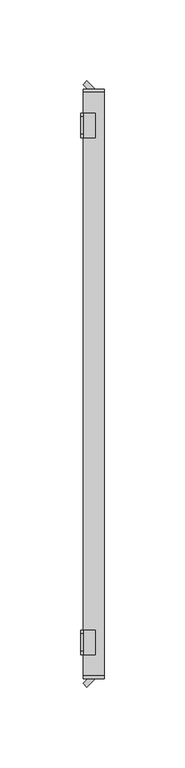
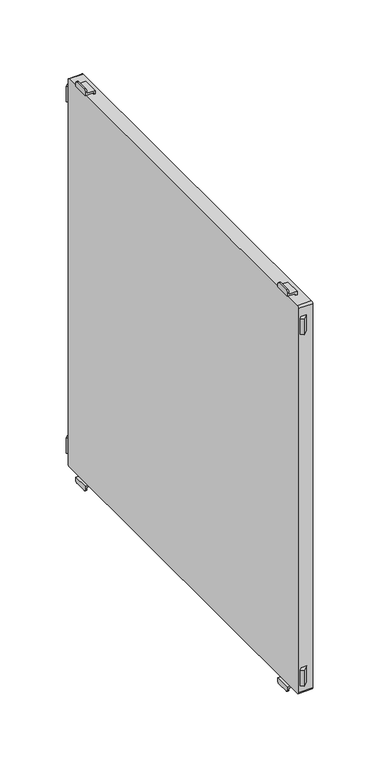
"""IFC4 building model written with IfcOpenShell, lengths in millimetres: furniture geometry."""

from ifc_helpers import new_model, si_unit, point, frame, frame_2d, origin, place, context, project, spatial, polyline, circle_curve, trimmed, segment, composite_curve, outline, extrude, source, transform, mapped, element, save
from ifc_brep_helpers import plane_surface, cylinder_surface, advanced_brep


def furniture_8a765ed5(model_context):
    return source(origin(), model_context, "Body", "SolidModel", [
        advanced_brep(
        [(-197.0, -152.5, 115.5), (-197.0, -152.5, 117.0), (-197.0, -167.5, 117.0), (-197.0, -167.5, 115.5), (-197.0, -165.5, 113.5), (-197.0, -154.5, 113.5), (-198.5, -152.5, 118.5), (-198.5, -152.5, 115.5), (-198.5, -154.5, 113.5), (-198.5, -165.5, 113.5), (-198.5, -167.5, 115.5), (-198.5, -167.5, 118.5), (-191.0011497, -152.5, 118.5), (-191.0011497, -152.5, 120.0), (-189.5011497, -152.5, 120.0), (-189.5011497, -152.5, 117.0), (-189.5011497, -167.5, 117.0), (-189.5011497, -167.5, 120.0), (-191.0011497, -167.5, 120.0), (-191.0011497, -167.5, 118.5)],
        [
            (0, 1),
            (1, 2),
            (2, 3),
            (3, 4, circle_curve(frame((-197.0, -165.5, 115.5), z_axis=(1.0, 0.0, 0.0), x_axis=(0.0, -1.0, 0.0)), 2.0)),
            (4, 5),
            (5, 0, circle_curve(frame((-197.0, -154.5, 115.5), z_axis=(1.0, 0.0, 0.0), x_axis=(0.0, -1.0, 0.0)), 2.0)),
            (6, 7),
            (7, 8, circle_curve(frame((-198.5, -154.5, 115.5), z_axis=(-1.0, 0.0, 0.0), x_axis=(0.0, -1.0, 0.0)), 2.0)),
            (8, 9),
            (9, 10, circle_curve(frame((-198.5, -165.5, 115.5), z_axis=(-1.0, 0.0, 0.0), x_axis=(0.0, -1.0, 0.0)), 2.0)),
            (10, 11),
            (11, 6),
            (6, 12),
            (12, 13),
            (13, 14),
            (14, 15),
            (15, 1),
            (0, 7),
            (5, 8),
            (4, 9),
            (3, 10),
            (2, 16),
            (16, 17),
            (17, 18),
            (18, 19),
            (19, 11),
            (19, 12),
            (14, 17),
            (16, 15),
            (13, 18),
        ],
        [
            plane_surface(frame((-197.0, -152.5, 117.0), z_axis=(1.0, 0.0, 0.0), x_axis=(0.0, 0.0, -1.0))),
            plane_surface(frame((-198.5, -152.5, 117.0), z_axis=(-1.0, 0.0, 0.0), x_axis=(0.0, 0.0, 1.0))),
            plane_surface(frame((-197.0, -152.5, 118.5), z_axis=(0.0, 1.0, 0.0), x_axis=(-1.0, 0.0, 0.0))),
            cylinder_surface(frame((-198.5, -154.5, 115.5), z_axis=(1.0, 0.0, 0.0), x_axis=(0.0, -1.0, 0.0)), 2.0),
            plane_surface(frame((-197.0, -154.5, 113.5), z_axis=(0.0, 0.0, -1.0), x_axis=(-1.0, 0.0, 0.0))),
            cylinder_surface(frame((-198.5, -165.5, 115.5), z_axis=(1.0, 0.0, 0.0), x_axis=(0.0, -1.0, 0.0)), 2.0),
            plane_surface(frame((-197.0, -167.5, 115.5), z_axis=(0.0, -1.0, 0.0), x_axis=(-1.0, 0.0, 0.0))),
            plane_surface(frame((-197.0, -167.5, 118.5), z_axis=(0.0, 0.0, 1.0), x_axis=(-1.0, 0.0, 0.0))),
            plane_surface(frame((-189.5011497, -152.5, 117.0), z_axis=(1.0, 0.0, 0.0), x_axis=(0.0, -1.0, 0.0))),
            plane_surface(frame((-189.5011497, -152.5, 120.0), z_axis=(0.0, 0.0, 1.0), x_axis=(0.0, -1.0, 0.0))),
            plane_surface(frame((-191.0011497, -152.5, 120.0), z_axis=(-1.0, 0.0, 0.0), x_axis=(0.0, -1.0, 0.0))),
            plane_surface(frame((-197.0, -152.5, 117.0), z_axis=(0.0, 0.0, -1.0), x_axis=(0.0, -1.0, 0.0))),
        ],
        [
            (0, [[1, 2, 3, 4, 5, 6]]),
            (1, [[7, 8, 9, 10, 11, 12]]),
            (2, [[13, 14, 15, 16, 17, -1, 18, -7]]),
            (3, [[19, -8, -18, -6]]),
            (4, [[20, -9, -19, -5]]),
            (5, [[21, -10, -20, -4]]),
            (6, [[-21, -3, 22, 23, 24, 25, 26, -11]]),
            (7, [[27, -13, -12, -26]]),
            (8, [[28, -23, 29, -16]]),
            (9, [[30, -24, -28, -15]]),
            (10, [[-27, -25, -30, -14]]),
            (11, [[-29, -22, -2, -17]]),
        ],
    ),
        advanced_brep(
        [(-197.0, 167.5, 115.5), (-197.0, 167.5, 117.0), (-197.0, 152.5, 117.0), (-197.0, 152.5, 115.5), (-197.0, 154.5, 113.5), (-197.0, 165.5, 113.5), (-198.5, 152.5, 118.5), (-198.5, 167.5, 118.5), (-198.5, 167.5, 115.5), (-198.5, 165.5, 113.5), (-198.5, 154.5, 113.5), (-198.5, 152.5, 115.5), (-191.0011497, 152.5, 118.5), (-191.0011497, 167.5, 118.5), (-191.0011497, 167.5, 120.0), (-189.5011497, 167.5, 120.0), (-189.5011497, 167.5, 117.0), (-189.5011497, 152.5, 117.0), (-189.5011497, 152.5, 120.0), (-191.0011497, 152.5, 120.0)],
        [
            (0, 1),
            (1, 2),
            (2, 3),
            (3, 4, circle_curve(frame((-197.0, 154.5, 115.5), z_axis=(1.0, 0.0, 0.0), x_axis=(0.0, -1.0, 0.0)), 2.0)),
            (4, 5),
            (5, 0, circle_curve(frame((-197.0, 165.5, 115.5), z_axis=(1.0, 0.0, 0.0), x_axis=(0.0, -1.0, 0.0)), 2.0)),
            (6, 7),
            (7, 8),
            (8, 9, circle_curve(frame((-198.5, 165.5, 115.5), z_axis=(-1.0, 0.0, 0.0), x_axis=(0.0, -1.0, 0.0)), 2.0)),
            (9, 10),
            (10, 11, circle_curve(frame((-198.5, 154.5, 115.5), z_axis=(-1.0, 0.0, 0.0), x_axis=(0.0, -1.0, 0.0)), 2.0)),
            (11, 6),
            (6, 12),
            (12, 13),
            (13, 7),
            (13, 14),
            (14, 15),
            (15, 16),
            (16, 1),
            (0, 8),
            (5, 9),
            (4, 10),
            (3, 11),
            (2, 17),
            (17, 18),
            (18, 19),
            (19, 12),
            (17, 16),
            (15, 18),
            (14, 19),
        ],
        [
            plane_surface(frame((-197.0, -152.5, 117.0), z_axis=(1.0, 0.0, 0.0), x_axis=(0.0, 0.0, -1.0))),
            plane_surface(frame((-198.5, -152.5, 117.0), z_axis=(-1.0, 0.0, 0.0), x_axis=(0.0, 0.0, 1.0))),
            plane_surface(frame((-197.0, 152.5, 118.5), z_axis=(0.0, 0.0, 1.0), x_axis=(-1.0, 0.0, 0.0))),
            plane_surface(frame((-197.0, 167.5, 118.5), z_axis=(0.0, 1.0, 0.0), x_axis=(-1.0, 0.0, 0.0))),
            cylinder_surface(frame((-200.0, 165.5, 115.5), z_axis=(1.0, 0.0, 0.0), x_axis=(0.0, -1.0, 0.0)), 2.0),
            plane_surface(frame((-197.0, 165.5, 113.5), z_axis=(0.0, 0.0, -1.0), x_axis=(-1.0, 0.0, 0.0))),
            cylinder_surface(frame((-200.0, 154.5, 115.5), z_axis=(1.0, 0.0, 0.0), x_axis=(0.0, -1.0, 0.0)), 2.0),
            plane_surface(frame((-197.0, 152.5, 115.5), z_axis=(0.0, -1.0, 0.0), x_axis=(-1.0, 0.0, 0.0))),
            plane_surface(frame((-189.5011497, 152.5, 120.0), z_axis=(1.0, 0.0, 0.0), x_axis=(0.0, 1.0, 0.0))),
            plane_surface(frame((-191.0011497, 152.5, 120.0), z_axis=(0.0, 0.0, 1.0), x_axis=(0.0, 1.0, 0.0))),
            plane_surface(frame((-191.0011497, 152.5, 118.5), z_axis=(-1.0, 0.0, 0.0), x_axis=(0.0, 1.0, 0.0))),
            plane_surface(frame((-189.5011497, 152.5, 117.0), z_axis=(0.0, 0.0, -1.0), x_axis=(0.0, 1.0, 0.0))),
        ],
        [
            (0, [[1, 2, 3, 4, 5, 6]]),
            (1, [[7, 8, 9, 10, 11, 12]]),
            (2, [[13, 14, 15, -7]]),
            (3, [[-15, 16, 17, 18, 19, -1, 20, -8]]),
            (4, [[21, -9, -20, -6]]),
            (5, [[22, -10, -21, -5]]),
            (6, [[23, -11, -22, -4]]),
            (7, [[-23, -3, 24, 25, 26, 27, -13, -12]]),
            (8, [[28, -18, 29, -25]]),
            (9, [[-29, -17, 30, -26]]),
            (10, [[-30, -16, -14, -27]]),
            (11, [[-2, -19, -28, -24]]),
        ],
    ),
        advanced_brep(
        [(-197.0, -167.5, 499.5), (-197.0, -167.5, 498.0), (-197.0, -152.5, 498.0), (-197.0, -152.5, 499.5), (-197.0, -154.5, 501.5), (-197.0, -165.5, 501.5), (-198.5, -152.5, 496.5), (-198.5, -167.5, 496.5), (-198.5, -167.5, 499.5), (-198.5, -165.5, 501.5), (-198.5, -154.5, 501.5), (-198.5, -152.5, 499.5), (-189.5011497, -152.5, 498.0), (-189.5011497, -152.5, 495.0), (-191.0011497, -152.5, 495.0), (-191.0011497, -152.5, 496.5), (-189.5011497, -167.5, 498.0), (-191.0011497, -167.5, 496.5), (-191.0011497, -167.5, 495.0), (-189.5011497, -167.5, 495.0)],
        [
            (0, 1),
            (1, 2),
            (2, 3),
            (3, 4, circle_curve(frame((-197.0, -154.5, 499.5), z_axis=(1.0, 0.0, 0.0), x_axis=(0.0, -1.0, 0.0)), 2.0)),
            (4, 5),
            (5, 0, circle_curve(frame((-197.0, -165.5, 499.5), z_axis=(1.0, 0.0, 0.0), x_axis=(0.0, -1.0, 0.0)), 2.0)),
            (6, 7),
            (7, 8),
            (8, 9, circle_curve(frame((-198.5, -165.5, 499.5), z_axis=(-1.0, 0.0, 0.0), x_axis=(0.0, -1.0, 0.0)), 2.0)),
            (9, 10),
            (10, 11, circle_curve(frame((-198.5, -154.5, 499.5), z_axis=(-1.0, 0.0, 0.0), x_axis=(0.0, -1.0, 0.0)), 2.0)),
            (11, 6),
            (12, 13),
            (13, 14),
            (14, 15),
            (15, 6),
            (11, 3),
            (2, 12),
            (16, 1),
            (0, 8),
            (7, 17),
            (17, 18),
            (18, 19),
            (19, 16),
            (15, 17),
            (5, 9),
            (4, 10),
            (16, 12),
            (14, 18),
            (13, 19),
        ],
        [
            plane_surface(frame((-197.0, -152.5, 117.0), z_axis=(1.0, 0.0, 0.0), x_axis=(0.0, 0.0, -1.0))),
            plane_surface(frame((-198.5, -152.5, 117.0), z_axis=(-1.0, 0.0, 0.0), x_axis=(0.0, 0.0, 1.0))),
            plane_surface(frame((-197.0, -152.5, 118.5), z_axis=(0.0, 1.0, 0.0), x_axis=(-1.0, 0.0, 0.0))),
            plane_surface(frame((-197.0, -167.5, 115.5), z_axis=(0.0, -1.0, 0.0), x_axis=(-1.0, 0.0, 0.0))),
            plane_surface(frame((-197.0, -152.5, 496.5), z_axis=(0.0, 0.0, -1.0), x_axis=(-1.0, 0.0, 0.0))),
            cylinder_surface(frame((-200.0, -165.5, 499.5), z_axis=(1.0, 0.0, 0.0), x_axis=(0.0, -1.0, 0.0)), 2.0),
            plane_surface(frame((-197.0, -165.5, 501.5), z_axis=(0.0, 0.0, 1.0), x_axis=(-1.0, 0.0, 0.0))),
            cylinder_surface(frame((-200.0, -154.5, 499.5), z_axis=(1.0, 0.0, 0.0), x_axis=(0.0, -1.0, 0.0)), 2.0),
            plane_surface(frame((-189.5011497, -152.5, 498.0), z_axis=(0.0, 0.0, 1.0), x_axis=(0.0, -1.0, 0.0))),
            plane_surface(frame((-191.0011497, -152.5, 496.5), z_axis=(-1.0, 0.0, 0.0), x_axis=(0.0, -1.0, 0.0))),
            plane_surface(frame((-191.0011497, -152.5, 495.0), z_axis=(0.0, 0.0, -1.0), x_axis=(0.0, -1.0, 0.0))),
            plane_surface(frame((-189.5011497, -152.5, 495.0), z_axis=(1.0, 0.0, 0.0), x_axis=(0.0, -1.0, 0.0))),
        ],
        [
            (0, [[1, 2, 3, 4, 5, 6]]),
            (1, [[7, 8, 9, 10, 11, 12]]),
            (2, [[13, 14, 15, 16, -12, 17, -3, 18]]),
            (3, [[19, -1, 20, -8, 21, 22, 23, 24]]),
            (4, [[25, -21, -7, -16]]),
            (5, [[26, -9, -20, -6]]),
            (6, [[27, -10, -26, -5]]),
            (7, [[-17, -11, -27, -4]]),
            (8, [[-2, -19, 28, -18]]),
            (9, [[29, -22, -25, -15]]),
            (10, [[30, -23, -29, -14]]),
            (11, [[-28, -24, -30, -13]]),
        ],
    ),
        advanced_brep(
        [(-197.0, 152.5, 499.5), (-197.0, 152.5, 498.0), (-197.0, 167.5, 498.0), (-197.0, 167.5, 499.5), (-197.0, 165.5, 501.5), (-197.0, 154.5, 501.5), (-198.5, 152.5, 496.5), (-198.5, 152.5, 499.5), (-198.5, 154.5, 501.5), (-198.5, 165.5, 501.5), (-198.5, 167.5, 499.5), (-198.5, 167.5, 496.5), (-189.5011497, 167.5, 498.0), (-189.5011497, 167.5, 495.0), (-191.0011497, 167.5, 495.0), (-191.0011497, 167.5, 496.5), (-191.0011497, 152.5, 496.5), (-191.0011497, 152.5, 495.0), (-189.5011497, 152.5, 495.0), (-189.5011497, 152.5, 498.0)],
        [
            (0, 1),
            (1, 2),
            (2, 3),
            (3, 4, circle_curve(frame((-197.0, 165.5, 499.5), z_axis=(1.0, 0.0, 0.0), x_axis=(0.0, -1.0, 0.0)), 2.0)),
            (4, 5),
            (5, 0, circle_curve(frame((-197.0, 154.5, 499.5), z_axis=(1.0, 0.0, 0.0), x_axis=(0.0, -1.0, 0.0)), 2.0)),
            (6, 7),
            (7, 8, circle_curve(frame((-198.5, 154.5, 499.5), z_axis=(-1.0, 0.0, 0.0), x_axis=(0.0, -1.0, 0.0)), 2.0)),
            (8, 9),
            (9, 10, circle_curve(frame((-198.5, 165.5, 499.5), z_axis=(-1.0, 0.0, 0.0), x_axis=(0.0, -1.0, 0.0)), 2.0)),
            (10, 11),
            (11, 6),
            (10, 3),
            (2, 12),
            (12, 13),
            (13, 14),
            (14, 15),
            (15, 11),
            (6, 16),
            (16, 17),
            (17, 18),
            (18, 19),
            (19, 1),
            (0, 7),
            (5, 8),
            (4, 9),
            (15, 16),
            (19, 12),
            (14, 17),
            (13, 18),
        ],
        [
            plane_surface(frame((-197.0, -152.5, 117.0), z_axis=(1.0, 0.0, 0.0), x_axis=(0.0, 0.0, -1.0))),
            plane_surface(frame((-198.5, -152.5, 117.0), z_axis=(-1.0, 0.0, 0.0), x_axis=(0.0, 0.0, 1.0))),
            plane_surface(frame((-197.0, 167.5, 118.5), z_axis=(0.0, 1.0, 0.0), x_axis=(-1.0, 0.0, 0.0))),
            plane_surface(frame((-197.0, 152.5, 115.5), z_axis=(0.0, -1.0, 0.0), x_axis=(-1.0, 0.0, 0.0))),
            cylinder_surface(frame((-200.0, 154.5, 499.5), z_axis=(1.0, 0.0, 0.0), x_axis=(0.0, -1.0, 0.0)), 2.0),
            plane_surface(frame((-197.0, 154.5, 501.5), z_axis=(0.0, 0.0, 1.0), x_axis=(-1.0, 0.0, 0.0))),
            cylinder_surface(frame((-200.0, 165.5, 499.5), z_axis=(1.0, 0.0, 0.0), x_axis=(0.0, -1.0, 0.0)), 2.0),
            plane_surface(frame((-197.0, 167.5, 496.5), z_axis=(0.0, 0.0, -1.0), x_axis=(-1.0, 0.0, 0.0))),
            plane_surface(frame((-197.0, 152.5, 498.0), z_axis=(0.0, 0.0, 1.0), x_axis=(0.0, 1.0, 0.0))),
            plane_surface(frame((-191.0011497, 152.5, 495.0), z_axis=(-1.0, 0.0, 0.0), x_axis=(0.0, 1.0, 0.0))),
            plane_surface(frame((-189.5011497, 152.5, 495.0), z_axis=(0.0, 0.0, -1.0), x_axis=(0.0, 1.0, 0.0))),
            plane_surface(frame((-189.5011497, 152.5, 498.0), z_axis=(1.0, 0.0, 0.0), x_axis=(0.0, 1.0, 0.0))),
        ],
        [
            (0, [[1, 2, 3, 4, 5, 6]]),
            (1, [[7, 8, 9, 10, 11, 12]]),
            (2, [[13, -3, 14, 15, 16, 17, 18, -11]]),
            (3, [[19, 20, 21, 22, 23, -1, 24, -7]]),
            (4, [[25, -8, -24, -6]]),
            (5, [[26, -9, -25, -5]]),
            (6, [[-13, -10, -26, -4]]),
            (7, [[-18, 27, -19, -12]]),
            (8, [[28, -14, -2, -23]]),
            (9, [[-27, -17, 29, -20]]),
            (10, [[-29, -16, 30, -21]]),
            (11, [[-30, -15, -28, -22]]),
        ],
    ),
        extrude(outline(polyline([(-197.0, 185.3223305), (-194.6617401, 187.6605904), (-189.5011497, 182.5), (-194.1776695, 182.5), (-197.0, 185.3223305)])), frame((0.0, 0.0, 130.0), z_axis=(0.0, 0.0, 1.0), x_axis=(1.0, 0.0, 0.0)), (0.0, 0.0, 1.0), 15.0),
        extrude(outline(polyline([(-197.0, -185.3223305), (-194.1776695, -182.5), (-189.5011497, -182.5), (-194.6617401, -187.6605904), (-197.0, -185.3223305)])), frame((0.0, 0.0, 130.0), z_axis=(0.0, 0.0, 1.0), x_axis=(1.0, 0.0, 0.0)), (0.0, 0.0, 1.0), 15.0),
        extrude(outline(composite_curve([segment(trimmed(circle_curve(frame_2d((-180.7, 493.2)), 1.8), [point((-182.5, 493.2))], [point((-180.7, 495.0))], False, "CARTESIAN"), True, "CONTINUOUS"), segment(polyline([(-180.7, 495.0), (180.7, 495.0)]), True, "CONTINUOUS"), segment(trimmed(circle_curve(frame_2d((180.7, 493.2)), 1.8), [point((180.7, 495.0))], [point((182.5, 493.2))], False, "CARTESIAN"), True, "CONTINUOUS"), segment(polyline([(182.5, 493.2), (182.5, 121.8)]), True, "CONTINUOUS"), segment(trimmed(circle_curve(frame_2d((180.7, 121.8)), 1.8), [point((182.5, 121.8))], [point((180.7, 120.0))], False, "CARTESIAN"), True, "CONTINUOUS"), segment(polyline([(180.7, 120.0), (-180.7, 120.0)]), True, "CONTINUOUS"), segment(trimmed(circle_curve(frame_2d((-180.7, 121.8)), 1.8), [point((-180.7, 120.0))], [point((-182.5, 121.8))], False, "CARTESIAN"), True, "CONTINUOUS"), segment(polyline([(-182.5, 121.8), (-182.5, 493.2)]), True, "CONTINUOUS")], self_intersect=False)), frame((-197.0, 0.0, 0.0), z_axis=(1.0, 0.0, 0.0), x_axis=(0.0, 1.0, 0.0)), (0.0, 0.0, 1.0), 13.000205),
        extrude(outline(polyline([(-197.0, 185.3223305), (-194.6617401, 187.6605904), (-189.5011497, 182.5), (-194.1776695, 182.5), (-197.0, 185.3223305)])), frame((0.0, 0.0, 470.0), z_axis=(0.0, 0.0, 1.0), x_axis=(1.0, 0.0, 0.0)), (0.0, 0.0, 1.0), 15.0),
        extrude(outline(polyline([(-197.0, -185.3223305), (-194.1776695, -182.5), (-189.5011497, -182.5), (-194.6617401, -187.6605904), (-197.0, -185.3223305)])), frame((0.0, 0.0, 470.0), z_axis=(0.0, 0.0, 1.0), x_axis=(1.0, 0.0, 0.0)), (0.0, 0.0, 1.0), 15.0),
    ])


if __name__ == "__main__":
    model = new_model("IFC4")
    model_context = context("Model", 3, world=origin())
    ifc_project = project(units=[si_unit("LENGTHUNIT", "METRE", prefix="MILLI")], contexts=[model_context])
    site = spatial("IfcSite", under=ifc_project)
    building = spatial("IfcBuilding", under=site)
    placement = place(None, origin())
    furniture_shape = furniture_8a765ed5(model_context)
    element("IfcFurniture", 1, at=placement, inside=building, context=model_context, shape_type="MappedRepresentation", body=[
        mapped(furniture_shape, transform((0.0, 0.0, 0.0), x_axis=(1.0, 0.0, 0.0), y_axis=(0.0, 1.0, 0.0), z_axis=(0.0, 0.0, 1.0))),
    ])
    save(model, "model.ifc")
